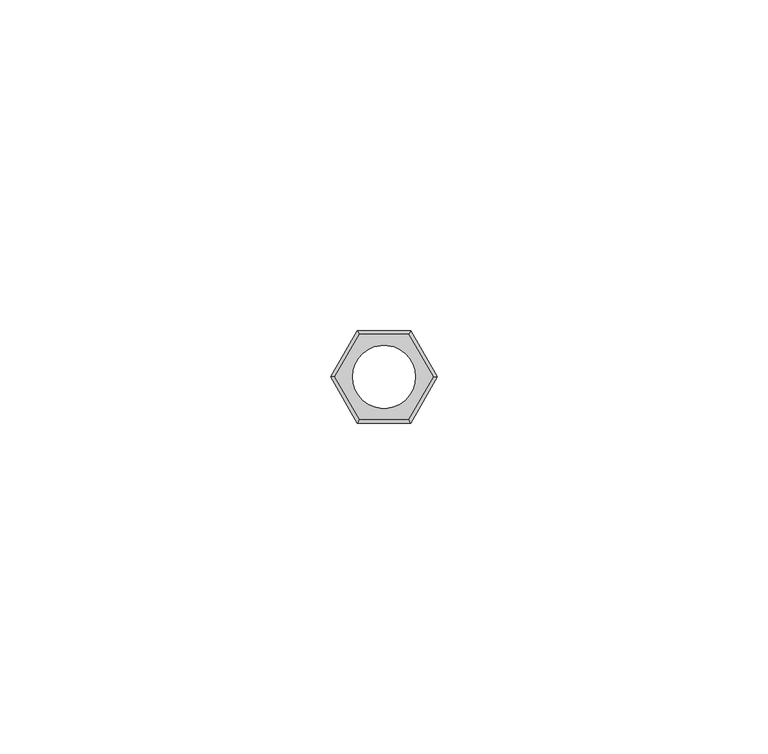
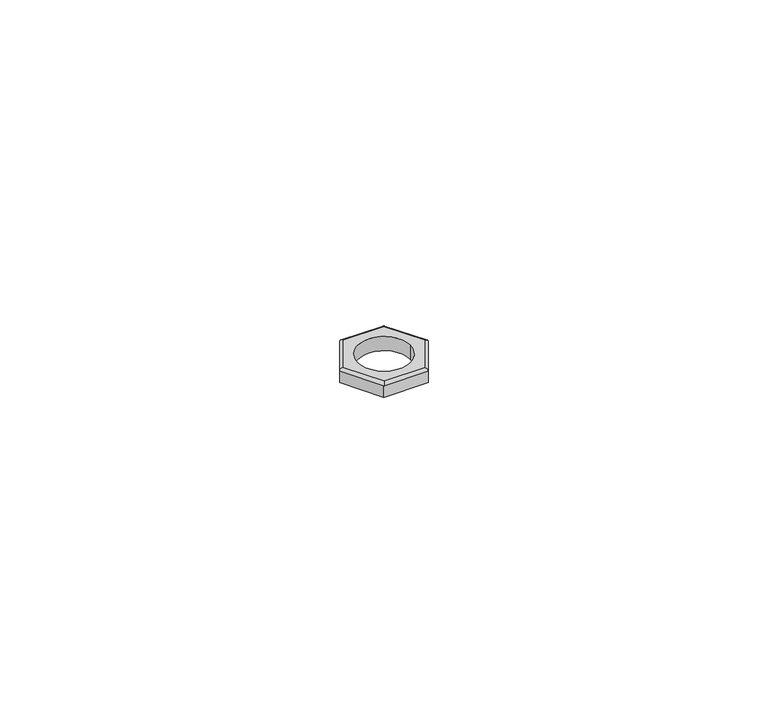
"""IFC4 building model written with IfcOpenShell, lengths in millimetres: proxy geometry."""

import ifcopenshell
import ifcopenshell.guid

model = None  # the IFC model being written
_history = None  # IfcOwnerHistory: only IFC2X3 demands one
_inside = {}  # id of a spatial element -> (the spatial element, [elements in it])
_under = {}  # id of a project, library or spatial element -> (it, [spatial elements below it])
_declared = {}  # id of a project -> (the project, [libraries it declares])
_typed = {}  # id of a type object -> (the type object, [elements of that type])
_made_of = {}  # id of a material, layer set ... -> (it, [elements and type objects made of it])


def new_model(schema):
    """Start an empty IFC model of exactly this schema.

    Asked for "IFC4X3", IfcOpenShell would pick the latest addendum, in which some entities
    have other attributes; the version numbers below select the first issue.
    IFC2X3 requires an IfcOwnerHistory on every rooted entity: one is made here for all.
    """
    global model, _history
    if schema == "IFC4X3":
        model = ifcopenshell.file(schema_version=(4, 3, 0, 0))
    else:
        model = ifcopenshell.file(schema=schema)
    _inside.clear()
    _under.clear()
    _declared.clear()
    _typed.clear()
    _made_of.clear()
    _history = None
    if model.schema == "IFC2X3":
        org = make("IfcOrganization", Name="unknown")
        user = make(
            "IfcPersonAndOrganization",
            ThePerson=make("IfcPerson", FamilyName="unknown"),
            TheOrganization=org,
        )
        app = make(
            "IfcApplication",
            ApplicationDeveloper=org,
            Version="unknown",
            ApplicationFullName="unknown",
            ApplicationIdentifier="unknown",
        )
        _history = make(
            "IfcOwnerHistory",
            OwningUser=user,
            OwningApplication=app,
            ChangeAction="ADDED",
            CreationDate=0,
        )
    return model


def make(cls, **values):
    """One entity of the class cls with the attributes given. An attribute that is None is left unset."""
    return model.create_entity(
        cls, **{name: value for name, value in values.items() if value is not None}
    )


def rooted(cls, **values):
    """An entity with a GlobalId (a new one), such as an element, a storey or a relation."""
    return make(cls, GlobalId=ifcopenshell.guid.new(), OwnerHistory=_history, **values)


def si_unit(unit_type, name, prefix=None):
    """IfcSIUnit, for example si_unit("LENGTHUNIT", "METRE", prefix="MILLI")."""
    return make("IfcSIUnit", UnitType=unit_type, Prefix=prefix, Name=name)


def assignment(units):
    """IfcUnitAssignment: the units of a project."""
    return None if units is None else make("IfcUnitAssignment", Units=units)


def point(xyz):
    """IfcCartesianPoint."""
    return None if xyz is None else make("IfcCartesianPoint", Coordinates=xyz)


def direction(xyz):
    """IfcDirection."""
    return None if xyz is None else make("IfcDirection", DirectionRatios=xyz)


def frame(location, z_axis=None, x_axis=None):
    """IfcAxis2Placement3D, a coordinate frame: its origin and axes. An axis left out is left unset."""
    return make(
        "IfcAxis2Placement3D",
        Location=point(location),
        Axis=direction(z_axis),
        RefDirection=direction(x_axis),
    )


def origin():
    """The frame at (0, 0, 0) with its axes left unset."""
    return frame((0.0, 0.0, 0.0))


def place(relative_to, where):
    """IfcLocalPlacement: puts the frame where relative to a parent placement (None: the world)."""
    return make(
        "IfcLocalPlacement", PlacementRelTo=relative_to, RelativePlacement=where
    )


def context(
    kind, dimensions, precision=None, world=None, true_north=None, identifier=None
):
    """IfcGeometricRepresentationContext, for example the 3D "Model" context."""
    return make(
        "IfcGeometricRepresentationContext",
        ContextIdentifier=identifier,
        ContextType=kind,
        CoordinateSpaceDimension=dimensions,
        Precision=precision,
        WorldCoordinateSystem=world,
        TrueNorth=true_north,
    )


def project(units=None, contexts=None):
    """IfcProject with its units and contexts."""
    return rooted(
        "IfcProject",
        Name="project",
        RepresentationContexts=contexts,
        UnitsInContext=assignment(units),
    )


def spatial(cls, under=None, at=None, **own):
    """A site, building, storey or space (cls), placed at a placement, below another one or the project."""
    s = rooted(cls, ObjectPlacement=at, **own)
    if under is not None:
        _under.setdefault(under.id(), (under, []))[1].append(s)
    return s


def polyline(points):
    """IfcPolyline through the points."""
    return make("IfcPolyline", Points=[point(p) for p in points])


def circle_curve(where, radius):
    """IfcCircle in the frame where."""
    return make("IfcCircle", Position=where, Radius=radius)


def ellipse_curve(where, semi_axis1, semi_axis2):
    """IfcEllipse in the frame where."""
    return make(
        "IfcEllipse", Position=where, SemiAxis1=semi_axis1, SemiAxis2=semi_axis2
    )


def shape(context_of_items, identifier, shape_type, items):
    """IfcShapeRepresentation: the items that make up one representation, for example the "Body"."""
    return make(
        "IfcShapeRepresentation",
        ContextOfItems=context_of_items,
        RepresentationIdentifier=identifier,
        RepresentationType=shape_type,
        Items=items,
    )


def source(mapping_origin, context_of_items, identifier, shape_type, items):
    """IfcRepresentationMap: a shape defined once, which mapped items show again and again."""
    return make(
        "IfcRepresentationMap",
        MappingOrigin=mapping_origin,
        MappedRepresentation=shape(context_of_items, identifier, shape_type, items),
    )


def transform(
    local_origin,
    x_axis=None,
    y_axis=None,
    z_axis=None,
    scale=None,
    scale2=None,
    scale3=None,
    uniform=True,
):
    """IfcCartesianTransformationOperator3D, or its non-uniform kind. x_axis, y_axis, z_axis: its Axis1, 2, 3."""
    if uniform:
        return make(
            "IfcCartesianTransformationOperator3D",
            Axis1=direction(x_axis),
            Axis2=direction(y_axis),
            LocalOrigin=point(local_origin),
            Scale=scale,
            Axis3=direction(z_axis),
        )
    return make(
        "IfcCartesianTransformationOperator3DnonUniform",
        Axis1=direction(x_axis),
        Axis2=direction(y_axis),
        LocalOrigin=point(local_origin),
        Scale=scale,
        Axis3=direction(z_axis),
        Scale2=scale2,
        Scale3=scale3,
    )


def mapped(mapping_source, mapping_target):
    """IfcMappedItem: shows the shape of a source again, moved by a transform."""
    return make(
        "IfcMappedItem", MappingSource=mapping_source, MappingTarget=mapping_target
    )


def made_of(thing, what):
    """Note that an element or type object is made of a material, layer set ...; save() writes the relation."""
    if what is not None:
        _made_of.setdefault(what.id(), (what, []))[1].append(thing)
    return thing


def element(
    cls,
    number,
    at=None,
    inside=None,
    cuts=None,
    type_object=None,
    material=None,
    context=None,
    identifier="Body",
    shape_type=None,
    held_by="IfcProductDefinitionShape",
    body=None,
    shapes=None,
    **own,
):
    """One element of the class cls, such as IfcWall. Its Tag is "e" and its number.

    at: its placement. inside: the storey or other place that contains it. cuts: it is an
    opening in that element (IfcRelVoidsElement). A single representation is given by context,
    identifier, shape_type and body (its items); several are given by shapes. held_by: the class
    of the entity that holds the representations. save() writes the other relations.
    """
    e = rooted(cls, Tag="e%d" % number, ObjectPlacement=at, **own)
    if body is not None:
        shapes = [shape(context, identifier, shape_type, body)]
    if shapes is not None:
        e.Representation = make(held_by, Representations=shapes)
    if inside is not None:
        _inside.setdefault(inside.id(), (inside, []))[1].append(e)
    if cuts is not None:
        rooted(
            "IfcRelVoidsElement", RelatingBuildingElement=cuts, RelatedOpeningElement=e
        )
    if type_object is not None:
        _typed.setdefault(type_object.id(), (type_object, []))[1].append(e)
    return made_of(e, material)


def aggregate(whole, parts):
    """IfcRelAggregates: a whole, such as a stair, and the parts it consists of."""
    return rooted("IfcRelAggregates", RelatingObject=whole, RelatedObjects=parts)


def save(model, path):
    """Write the relations noted so far, then the file.

    IfcRelAggregates (storeys below a building ...), IfcRelContainedInSpatialStructure (elements
    in a storey), IfcRelDefinesByType, IfcRelAssociatesMaterial and IfcRelDeclares: one each for
    every whole, place, type object, material and project.
    """
    for whole, parts in _under.values():
        aggregate(whole, parts)
    for where, things in _inside.values():
        rooted(
            "IfcRelContainedInSpatialStructure",
            RelatedElements=things,
            RelatingStructure=where,
        )
    for kind, things in _typed.values():
        rooted("IfcRelDefinesByType", RelatedObjects=things, RelatingType=kind)
    for what, things in _made_of.values():
        rooted("IfcRelAssociatesMaterial", RelatedObjects=things, RelatingMaterial=what)
    for by, libraries in _declared.values():
        rooted("IfcRelDeclares", RelatingContext=by, RelatedDefinitions=libraries)
    model.write(path)


def plane_surface(at):
    """IfcPlane: the flat surface through the origin of the frame at, square to its z axis."""
    return make("IfcPlane", Position=at)


def cylinder_surface(at, radius):
    """IfcCylindricalSurface: all points at the distance radius from the z axis of the frame at."""
    return make("IfcCylindricalSurface", Position=at, Radius=radius)


def revolved_surface(curve, axis_point, axis_direction):
    """IfcSurfaceOfRevolution: the curve turned about the line through axis_point along axis_direction."""
    return make(
        "IfcSurfaceOfRevolution",
        SweptCurve=make("IfcArbitraryOpenProfileDef", ProfileType="CURVE", Curve=curve),
        AxisPosition=make("IfcAxis1Placement", Location=point(axis_point), Axis=direction(axis_direction)),
    )


def advanced_brep(points, edges, surfaces, faces):
    """IfcAdvancedBrep: a solid bounded by faces that lie on surfaces and meet in shared edges.

    An edge is (start, end): straight between two places in points (the first is 0);
    or (start, end, curve); or (start, end, curve, False) where it runs against its curve.
    A face is (place in surfaces, loops), or (place, loops, False) where it looks against
    its surface's normal. A loop lists edges by number (the first is 1), with a minus sign
    where the edge is run from its end to its start. The first loop is the outer one.
    """
    corners = [point(p) for p in points]
    vertices = [make("IfcVertexPoint", VertexGeometry=c) for c in corners]
    made = []
    for start, end, *more in edges:
        made.append(
            make(
                "IfcEdgeCurve",
                EdgeStart=vertices[start],
                EdgeEnd=vertices[end],
                EdgeGeometry=more[0] if more else make("IfcPolyline", Points=[corners[start], corners[end]]),
                SameSense=more[1] if len(more) > 1 else True,
            )
        )
    hull = []
    for where, loops, *sense in faces:
        bounds = []
        for j, loop in enumerate(loops):
            ring = [make("IfcOrientedEdge", EdgeElement=made[abs(k) - 1], Orientation=k > 0) for k in loop]
            bounds.append(
                make(
                    "IfcFaceOuterBound" if j == 0 else "IfcFaceBound",
                    Bound=make("IfcEdgeLoop", EdgeList=ring),
                    Orientation=True,
                )
            )
        hull.append(make("IfcAdvancedFace", Bounds=bounds, FaceSurface=surfaces[where], SameSense=sense[0] if sense else True))
    return make("IfcAdvancedBrep", Outer=make("IfcClosedShell", CfsFaces=hull))


def generic_models_2dc41139(model_context):
    return source(origin(), model_context, "Body", "AdvancedBrep", [
        advanced_brep(
        [(-4.75, 0.0, 2.7), (-4.75, 0.0, 0.0), (4.75, 0.0, 0.0), (4.75, 0.0, 2.7), (-3.7527767, -6.5, 2.7), (-7.5055535, 0.0, 2.7), (-8.0829038, 0.0, 2.2), (-4.0414519, -7.0, 2.2), (-3.7527767, 6.5, 2.7), (-4.0414519, 7.0, 2.2), (3.7527767, 6.5, 2.7), (4.0414519, 7.0, 2.2), (7.5055535, 0.0, 2.7), (8.0829038, 0.0, 2.2), (4.0414519, -7.0, 2.2), (3.7527767, -6.5, 2.7), (4.0414519, -7.0, 0.0), (8.0829038, 0.0, 0.0), (-4.0414519, -7.0, 0.0), (-8.0829038, 0.0, 0.0), (-4.0414519, 7.0, 0.0), (4.0414519, 7.0, 0.0)],
        [
            (0, 1),
            (1, 2, circle_curve(frame((0.0, 0.0, 0.0), z_axis=(0.0, 0.0, -1.0), x_axis=(-1.0, 0.0, 0.0)), 4.75)),
            (2, 3),
            (3, 0, circle_curve(frame((0.0, 0.0, 2.7), z_axis=(0.0, 0.0, 1.0), x_axis=(-1.0, 0.0, 0.0)), 4.75)),
            (4, 5),
            (5, 6, ellipse_curve(frame((-7.5055535, 0.0, 2.2), z_axis=(0.0, -1.0, 0.0), x_axis=(1.0, 0.0, 0.0)), 0.5773503, 0.5)),
            (6, 7),
            (7, 4, ellipse_curve(frame((-3.7527767, -6.5, 2.2), z_axis=(-0.8660254037844388, 0.5, 0.0), x_axis=(-0.5000000000000003, -0.8660254037844384, 0.0)), 0.5773503, 0.5)),
            (5, 8),
            (8, 9, ellipse_curve(frame((-3.7527767, 6.5, 2.2), z_axis=(-0.8660254037844383, -0.5000000000000006, 0.0), x_axis=(0.5000000000000007, -0.8660254037844384, 0.0)), 0.5773503, 0.5)),
            (9, 6),
            (8, 10),
            (10, 11, ellipse_curve(frame((3.7527767, 6.5, 2.2), z_axis=(-0.8660254037844386, 0.5000000000000001, 0.0), x_axis=(-0.5000000000000002, -0.8660254037844386, 0.0)), 0.5773503, 0.5)),
            (11, 9),
            (10, 12),
            (12, 13, ellipse_curve(frame((7.5055535, 0.0, 2.2), z_axis=(0.0, 1.0, 0.0), x_axis=(-1.0, 0.0, 0.0)), 0.5773503, 0.5)),
            (13, 11),
            (14, 13),
            (12, 15),
            (15, 14, ellipse_curve(frame((3.7527767, -6.5, 2.2), z_axis=(0.8660254037844383, 0.5000000000000006, 0.0), x_axis=(-0.5000000000000007, 0.8660254037844384, 0.0)), 0.5773503, 0.5)),
            (7, 14),
            (15, 4),
            (14, 16),
            (16, 17),
            (17, 13),
            (7, 18),
            (18, 16),
            (6, 19),
            (19, 18),
            (3, 0, circle_curve(frame((0.0, 0.0, 2.7), z_axis=(0.0, 0.0, -1.0), x_axis=(-1.0, 0.0, 0.0)), 4.75)),
            (2, 1, circle_curve(frame((0.0, 0.0, 0.0), z_axis=(0.0, 0.0, -1.0), x_axis=(-1.0, 0.0, 0.0)), 4.75)),
            (9, 20),
            (20, 19),
            (11, 21),
            (21, 20),
            (17, 21),
        ],
        [
            revolved_surface(polyline([(-4.75, 0.0, 2.7), (-4.75, 0.0, 0.0)]), (0.0, 0.0, 0.0), (0.0, 0.0, 1.0)),
            cylinder_surface(frame((-6.6395281, -1.5, 2.2), z_axis=(0.5, -0.8660254037844388, 0.0), x_axis=(-0.6123724356957946, -0.3535533905932735, 0.7071067811865477)), 0.5),
            cylinder_surface(frame((-4.6188022, 5.0, 2.2), z_axis=(-0.4999999999999989, -0.8660254037844393, 0.0), x_axis=(-0.6123724356957957, 0.3535533905932724, 0.7071067811865471)), 0.5),
            cylinder_surface(frame((2.0207259, 6.5, 2.2), z_axis=(-1.0, 0.0, 0.0), x_axis=(0.0, 0.7071067811865479, 0.7071067811865471)), 0.5),
            cylinder_surface(frame((6.6395281, 1.5, 2.2), z_axis=(-0.4999999999999999, 0.866025403784439, 0.0), x_axis=(0.6123724356957946, 0.3535533905932735, 0.7071067811865477)), 0.5),
            cylinder_surface(frame((4.6188022, -5.0, 2.2), z_axis=(0.4999999999999989, 0.8660254037844393, 0.0), x_axis=(0.6123724356957957, -0.3535533905932724, 0.7071067811865471)), 0.5),
            cylinder_surface(frame((-2.0207259, -6.5, 2.2), z_axis=(1.0, 0.0, 0.0), x_axis=(0.0, -0.7071067811865479, 0.7071067811865471)), 0.5),
            plane_surface(frame((4.0414519, -7.0, 0.0), z_axis=(0.8660254037844387, -0.5000000000000001, 0.0), x_axis=(0.5000000000000001, 0.8660254037844387, 0.0))),
            plane_surface(frame((-4.0414519, -7.0, 0.0), z_axis=(0.0, -1.0, 0.0), x_axis=(1.0, 0.0, 0.0))),
            plane_surface(frame((-8.0829038, 0.0, 0.0), z_axis=(-0.8660254037844386, -0.5000000000000001, 0.0), x_axis=(0.5000000000000001, -0.8660254037844386, 0.0))),
            plane_surface(frame((0.0, 0.0, 2.7), z_axis=(0.0, 0.0, 1.0), x_axis=(1.0, 0.0, 0.0))),
            plane_surface(frame((-4.0414519, 7.0, 0.0), z_axis=(-0.8660254037844387, 0.4999999999999999, 0.0), x_axis=(-0.4999999999999999, -0.8660254037844387, 0.0))),
            plane_surface(frame((4.0414519, 7.0, 0.0), z_axis=(0.0, 1.0, 0.0), x_axis=(-1.0, 0.0, 0.0))),
            plane_surface(frame((8.0829038, 0.0, 0.0), z_axis=(0.8660254037844388, 0.49999999999999983, 0.0), x_axis=(-0.49999999999999983, 0.8660254037844388, 0.0))),
            plane_surface(frame((0.0, 0.0, 0.0), z_axis=(0.0, 0.0, -1.0), x_axis=(1.0, 0.0, 0.0))),
        ],
        [
            (0, [[1, 2, 3, 4]]),
            (1, [[5, 6, 7, 8]]),
            (2, [[9, 10, 11, -6]]),
            (3, [[12, 13, 14, -10]]),
            (4, [[15, 16, 17, -13]]),
            (5, [[18, -16, 19, 20]]),
            (6, [[21, -20, 22, -8]]),
            (7, [[-18, 23, 24, 25]]),
            (8, [[-21, 26, 27, -23]]),
            (9, [[-7, 28, 29, -26]]),
            (10, [[-5, -22, -19, -15, -12, -9], [30, -4]]),
            (0, [[-1, -30, -3, 31]]),
            (11, [[-11, 32, 33, -28]]),
            (12, [[-14, 34, 35, -32]]),
            (13, [[-17, -25, 36, -34]]),
            (14, [[-24, -27, -29, -33, -35, -36], [-2, -31]]),
        ],
    ),
    ])


if __name__ == "__main__":
    model = new_model("IFC4")
    model_context = context("Model", 3, world=origin())
    ifc_project = project(units=[si_unit("LENGTHUNIT", "METRE", prefix="MILLI")], contexts=[model_context])
    site = spatial("IfcSite", under=ifc_project)
    building = spatial("IfcBuilding", under=site)
    placement = place(None, origin())
    generic_models_shape = generic_models_2dc41139(model_context)
    element("IfcBuildingElementProxy", 1, Name="Generic Models", at=placement, inside=building, context=model_context, shape_type="MappedRepresentation", body=[
        mapped(generic_models_shape, transform((0.0, 0.0, 0.0), x_axis=(1.0, 0.0, 0.0), y_axis=(0.0, 1.0, 0.0), z_axis=(0.0, 0.0, 1.0))),
    ])
    save(model, "model.ifc")
